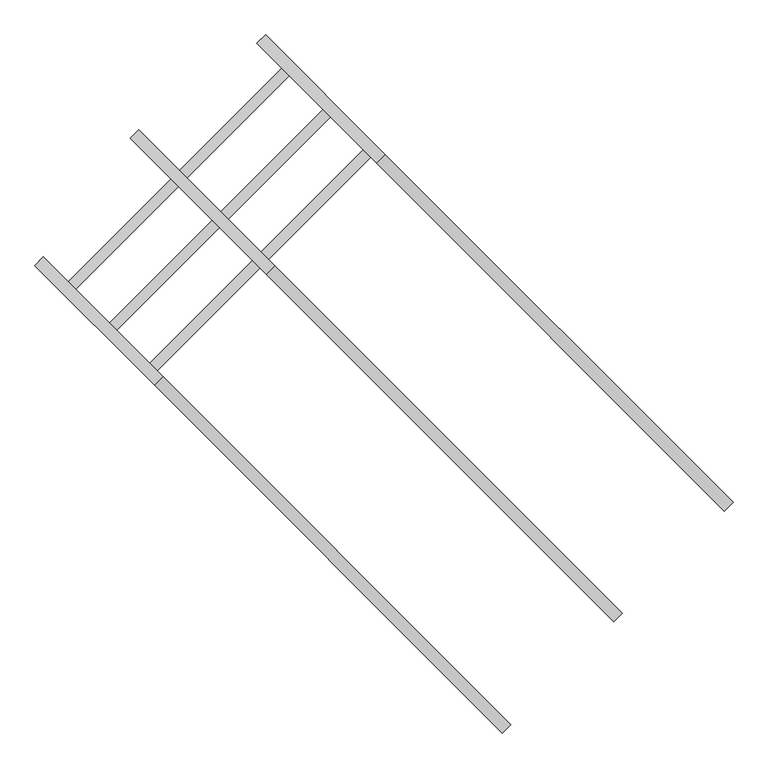
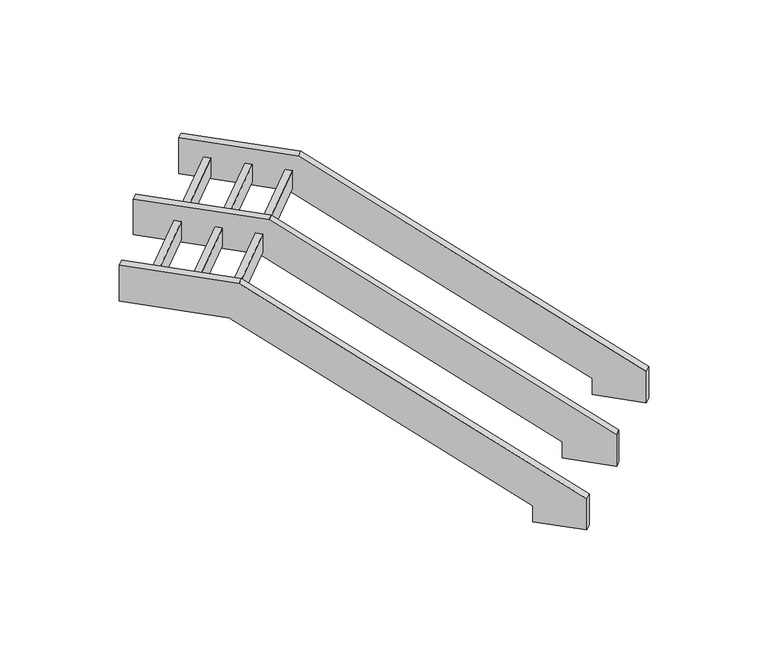
"""IFC4 building model written with IfcOpenShell, lengths in millimetres: stair geometry."""

from ifc_helpers import new_model, si_unit, frame, origin, place, context, project, spatial, polyline, outline, extrude, source, transform, mapped, element, save


def stair_5eef7799(model_context):
    return source(origin(), model_context, "Body", "SweptSolid", [
        extrude(outline(polyline([(-112511.9800685, 98389.6456004), (-112573.9392991, 98451.604831), (-110755.291044, 100270.2530862), (-110693.3318133, 100208.2938556), (-112511.9800685, 98389.6456004)])), frame((0.0, 0.0, -223.780385), z_axis=(0.0, 0.0, 1.0), x_axis=(1.0, 0.0, 0.0)), (0.0, 0.0, 1.0), 244.655385),
        extrude(outline(polyline([(-112846.1173479, 98723.7828798), (-112908.0765785, 98785.7421104), (-111089.4283233, 100604.3903655), (-111027.4690927, 100542.4311349), (-112846.1173479, 98723.7828798)])), frame((0.0, 0.0, -223.780385), z_axis=(0.0, 0.0, 1.0), x_axis=(1.0, 0.0, 0.0)), (0.0, 0.0, 1.0), 244.655385),
        extrude(outline(polyline([(-113188.4445938, 99066.1101257), (-113250.4038244, 99128.0693563), (-111431.7555692, 100946.7176115), (-111369.7963386, 100884.7583808), (-113188.4445938, 99066.1101257)])), frame((0.0, 0.0, -223.780385), z_axis=(0.0, 0.0, 1.0), x_axis=(1.0, 0.0, 0.0)), (0.0, 0.0, 1.0), 244.655385),
        extrude(outline(polyline([(-11.409378, 0.0), (4645.2614151, 1e-07), (6041.0555664, -766.7206166), (5801.9477858, -1202.0098658), (4507.721126, -491.0810646), (446.1898979, -491.0810646), (339.3020143, -685.6675667), (-219.4535442, -378.7387793), (-11.409378, 0.0)])), frame((-108705.099093, 96336.3976328, -2004.1515851), z_axis=(0.7071067811865515, 0.7071067811865436, 0.0), x_axis=(-0.619759273384049, 0.6197592733840559, 0.4814528908511639)), (0.0, 0.0, 1.0), 100.3473583),
        extrude(outline(polyline([(-11.409378, 0.0), (4645.2614151, 0.0), (5878.5809545, -677.4720447), (5639.473174, -1112.761294), (4507.7211261, -491.0810647), (446.189898, -491.0810646), (339.3020143, -685.6675667), (-219.4535442, -378.7387793), (-11.409378, 0.0)])), frame((-107785.2256569, 97256.2710688, -2004.1515851), z_axis=(0.7071067811865515, 0.7071067811865436, 0.0), x_axis=(-0.619759273384049, 0.6197592733840559, 0.4814528908511639)), (0.0, 0.0, 1.0), 100.3473583),
        extrude(outline(polyline([(-11.409378, 0.0), (4645.2614151, 0.0), (5878.5809545, -677.4720447), (5639.473174, -1112.761294), (4507.7211261, -491.0810647), (446.189898, -491.0810646), (339.3020143, -685.6675667), (-219.4535442, -378.7387793), (-11.409378, 0.0)])), frame((-109628.6112181, 95412.8855076, -2004.1515851), z_axis=(0.7071067811865515, 0.7071067811865436, 0.0), x_axis=(-0.619759273384049, 0.6197592733840559, 0.4814528908511639)), (0.0, 0.0, 1.0), 100.3473583),
    ])


if __name__ == "__main__":
    model = new_model("IFC4")
    model_context = context("Model", 3, world=origin())
    ifc_project = project(units=[si_unit("LENGTHUNIT", "METRE", prefix="MILLI")], contexts=[model_context])
    site = spatial("IfcSite", under=ifc_project)
    building = spatial("IfcBuilding", under=site)
    placement = place(None, origin())
    stair_shape = stair_5eef7799(model_context)
    element("IfcStair", 1, at=placement, inside=building, context=model_context, shape_type="MappedRepresentation", body=[
        mapped(stair_shape, transform((0.0, 0.0, 0.0), x_axis=(1.0, 0.0, 0.0), y_axis=(0.0, 1.0, 0.0), z_axis=(0.0, 0.0, 1.0))),
    ])
    save(model, "model.ifc")
